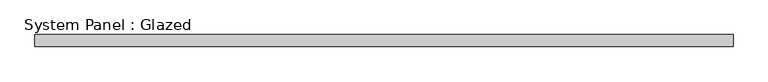
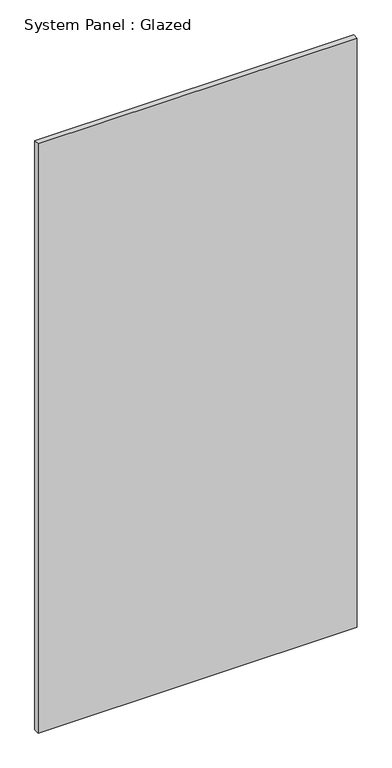
"""IFC4 building model written with IfcOpenShell, lengths in millimetres: plate geometry, System Panel : Glazed."""

from ifc_helpers import new_model, si_unit, origin, origin_with_axes, place, context, project, spatial, polyline, outline, extrude, source, transform, mapped, element, save


def system_panel_glazed_675fe5f6(model_context):
    return source(origin(), model_context, "Body", "SweptSolid", [
        extrude(outline(polyline([(730.25, -49.5), (-730.25, -49.5), (-730.25, -24.5), (730.25, -24.5), (730.25, -49.5)])), origin_with_axes(), (0.0, 0.0, 1.0), 2850.0),
    ])


if __name__ == "__main__":
    model = new_model("IFC4")
    model_context = context("Model", 3, world=origin())
    ifc_project = project(units=[si_unit("LENGTHUNIT", "METRE", prefix="MILLI")], contexts=[model_context])
    site = spatial("IfcSite", under=ifc_project)
    building = spatial("IfcBuilding", under=site)
    placement = place(None, origin())
    system_panel_glazed_shape = system_panel_glazed_675fe5f6(model_context)
    element("IfcPlate", 1, ObjectType="System Panel : Glazed", at=placement, inside=building, context=model_context, shape_type="MappedRepresentation", body=[
        mapped(system_panel_glazed_shape, transform((0.0, 0.0, 0.0), x_axis=(1.0, 0.0, 0.0), y_axis=(0.0, 1.0, 0.0), z_axis=(0.0, 0.0, 1.0))),
    ])
    save(model, "model.ifc")
